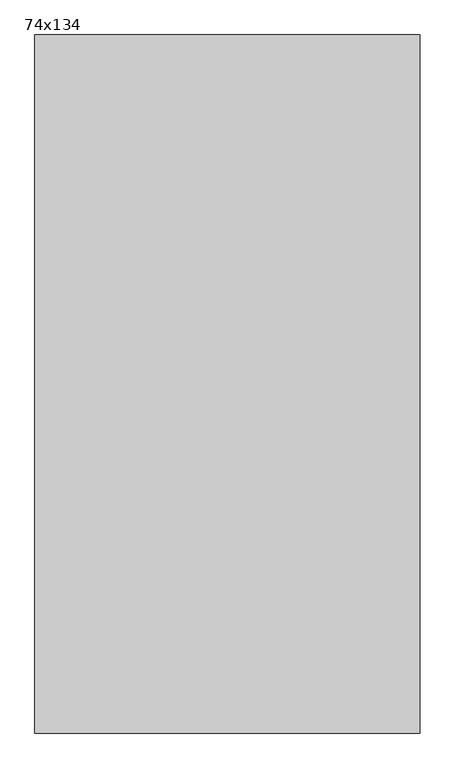
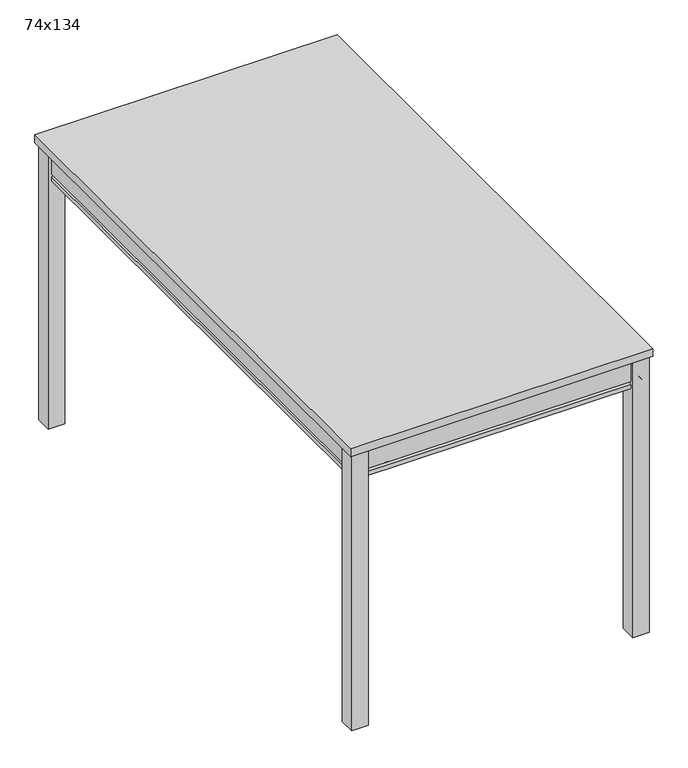
"""IFC4 building model written with IfcOpenShell, lengths in millimetres: furniture geometry, 74x134."""

from ifc_helpers import new_model, si_unit, frame, origin, origin_with_axes, place, context, project, spatial, polyline, ellipse_curve, outline, extrude, source, transform, mapped, element, save
from ifc_brep_helpers import plane_surface, revolved_surface, advanced_brep


def furniture_74x134_e32a1062(model_context):
    return source(origin(), model_context, "Body", "SolidModel", [
        extrude(outline(polyline([(324.0, 664.0), (364.0, 664.0), (364.0, 624.0), (324.0, 624.0), (324.0, 664.0)])), origin_with_axes(), (0.0, 0.0, 1.0), 716.0),
        extrude(outline(polyline([(324.0, -624.0), (364.0, -624.0), (364.0, -664.0), (324.0, -664.0), (324.0, -624.0)])), origin_with_axes(), (0.0, 0.0, 1.0), 716.0),
        extrude(outline(polyline([(-324.0, 664.0), (-324.0, 624.0), (-364.0, 624.0), (-364.0, 664.0), (-324.0, 664.0)])), origin_with_axes(), (0.0, 0.0, 1.0), 716.0),
        extrude(outline(polyline([(-324.0, -624.0), (-324.0, -664.0), (-364.0, -664.0), (-364.0, -624.0), (-324.0, -624.0)])), origin_with_axes(), (0.0, 0.0, 1.0), 716.0),
        advanced_brep(
        [(-356.0, -656.0, 716.0), (-356.0, -656.0, 659.0), (356.0, -656.0, 659.0), (356.0, -656.0, 716.0), (-341.0, -641.0, 641.0), (-341.0, -641.0, 716.0), (341.0, -641.0, 716.0), (341.0, -641.0, 641.0), (-356.0, -656.0, 651.0), (-356.0, -656.0, 641.0), (356.0, -656.0, 641.0), (356.0, -656.0, 651.0), (356.0, 656.0, 659.0), (356.0, 656.0, 716.0), (341.0, 641.0, 716.0), (341.0, 641.0, 641.0), (356.0, 656.0, 641.0), (356.0, 656.0, 651.0), (-356.0, 656.0, 659.0), (-356.0, 656.0, 716.0), (-341.0, 641.0, 716.0), (-341.0, 641.0, 641.0), (-356.0, 656.0, 641.0), (-356.0, 656.0, 651.0)],
        [
            (0, 1),
            (1, 2),
            (2, 3),
            (3, 0),
            (4, 5),
            (5, 6),
            (6, 7),
            (7, 4),
            (8, 9),
            (9, 10),
            (10, 11),
            (11, 8),
            (1, 8, ellipse_curve(frame((-356.0, -656.0, 655.0), z_axis=(-0.7071067811865464, 0.7071067811865486, 0.0), x_axis=(0.7071067811865488, 0.7071067811865462, 0.0)), 5.6568542, 4.0)),
            (11, 2, ellipse_curve(frame((356.0, -656.0, 655.0), z_axis=(0.7071067811865486, 0.7071067811865464, 0.0), x_axis=(0.7071067811865466, -0.7071067811865483, 0.0)), 5.6568542, 4.0)),
            (2, 12),
            (12, 13),
            (13, 3),
            (6, 14),
            (14, 15),
            (15, 7),
            (10, 16),
            (16, 17),
            (17, 11),
            (17, 12, ellipse_curve(frame((356.0, 656.0, 655.0), z_axis=(-0.7071067811865464, 0.7071067811865486, 0.0), x_axis=(0.7071067811865483, 0.7071067811865466, 0.0)), 5.6568542, 4.0)),
            (12, 18),
            (18, 19),
            (19, 13),
            (14, 20),
            (20, 21),
            (21, 15),
            (16, 22),
            (22, 23),
            (23, 17),
            (23, 18, ellipse_curve(frame((-356.0, 656.0, 655.0), z_axis=(-0.7071067811865486, -0.7071067811865464, 0.0), x_axis=(-0.7071067811865466, 0.7071067811865483, 0.0)), 5.6568542, 4.0)),
            (18, 1),
            (0, 19),
            (5, 20),
            (4, 21),
            (9, 22),
            (8, 23),
        ],
        [
            plane_surface(frame((-356.0, -656.0, 659.0), z_axis=(0.0, -1.0, 0.0), x_axis=(1.0, 0.0, 0.0))),
            plane_surface(frame((-341.0, -641.0, 716.0), z_axis=(0.0, 1.0, 0.0), x_axis=(1.0, 0.0, 0.0))),
            plane_surface(frame((-356.0, -656.0, 641.0), z_axis=(0.0, -1.0, 0.0), x_axis=(1.0, 0.0, 0.0))),
            revolved_surface(polyline([(359.99999996500355, -652.0, 655.0), (-359.9999999650036, -652.0, 655.0)]), (-356.0, -656.0, 655.0), (1.0, 0.0, 0.0)),
            plane_surface(frame((356.0, -656.0, 659.0), z_axis=(1.0, 0.0, 0.0), x_axis=(0.0, 1.0, 0.0))),
            plane_surface(frame((341.0, -641.0, 716.0), z_axis=(-1.0, 0.0, 0.0), x_axis=(0.0, 1.0, 0.0))),
            plane_surface(frame((356.0, -656.0, 641.0), z_axis=(1.0, 0.0, 0.0), x_axis=(0.0, 1.0, 0.0))),
            revolved_surface(polyline([(352.0, 659.9999999650036, 655.0), (352.0, -659.9999999650036, 655.0)]), (356.0, -656.0, 655.0), (0.0, 1.0, 0.0)),
            plane_surface(frame((356.0, 656.0, 659.0), z_axis=(0.0, 1.0, 0.0), x_axis=(-1.0, 0.0, 0.0))),
            plane_surface(frame((341.0, 641.0, 716.0), z_axis=(0.0, -1.0, 0.0), x_axis=(-1.0, 0.0, 0.0))),
            plane_surface(frame((356.0, 656.0, 641.0), z_axis=(0.0, 1.0, 0.0), x_axis=(-1.0, 0.0, 0.0))),
            revolved_surface(polyline([(-359.99999996500355, 652.0, 655.0), (359.9999999650036, 652.0, 655.0)]), (356.0, 656.0, 655.0), (-1.0, 0.0, 0.0)),
            plane_surface(frame((-356.0, 656.0, 659.0), z_axis=(-1.0, 0.0, 0.0), x_axis=(0.0, -1.0, 0.0))),
            plane_surface(frame((-356.0, 656.0, 716.0), z_axis=(0.0, 0.0, 1.0), x_axis=(0.0, -1.0, 0.0))),
            plane_surface(frame((-341.0, 641.0, 716.0), z_axis=(1.0, 0.0, 0.0), x_axis=(0.0, -1.0, 0.0))),
            plane_surface(frame((-341.0, 641.0, 641.0), z_axis=(0.0, 0.0, -1.0), x_axis=(0.0, -1.0, 0.0))),
            plane_surface(frame((-356.0, 656.0, 641.0), z_axis=(-1.0, 0.0, 0.0), x_axis=(0.0, -1.0, 0.0))),
            revolved_surface(polyline([(-352.0, -659.9999999650036, 655.0), (-352.0, 659.9999999650036, 655.0)]), (-356.0, 656.0, 655.0), (0.0, -1.0, 0.0)),
        ],
        [
            (0, [[1, 2, 3, 4]]),
            (1, [[5, 6, 7, 8]]),
            (2, [[9, 10, 11, 12]]),
            (3, [[13, -12, 14, -2]]),
            (4, [[-3, 15, 16, 17]]),
            (5, [[-7, 18, 19, 20]]),
            (6, [[-11, 21, 22, 23]]),
            (7, [[-14, -23, 24, -15]]),
            (8, [[-16, 25, 26, 27]]),
            (9, [[-19, 28, 29, 30]]),
            (10, [[-22, 31, 32, 33]]),
            (11, [[-24, -33, 34, -25]]),
            (12, [[-26, 35, -1, 36]]),
            (13, [[-17, -27, -36, -4], [37, -28, -18, -6]]),
            (14, [[-29, -37, -5, 38]]),
            (15, [[39, -31, -21, -10], [-20, -30, -38, -8]]),
            (16, [[-32, -39, -9, 40]]),
            (17, [[-34, -40, -13, -35]]),
        ],
    ),
        extrude(outline(polyline([(370.0, 670.0), (370.0, -670.0), (-370.0, -670.0), (-370.0, 670.0), (370.0, 670.0)])), frame((0.0, 0.0, 716.0), z_axis=(0.0, 0.0, 1.0), x_axis=(1.0, 0.0, 0.0)), (0.0, 0.0, 1.0), 20.0),
    ])


if __name__ == "__main__":
    model = new_model("IFC4")
    model_context = context("Model", 3, world=origin())
    ifc_project = project(units=[si_unit("LENGTHUNIT", "METRE", prefix="MILLI")], contexts=[model_context])
    site = spatial("IfcSite", under=ifc_project)
    building = spatial("IfcBuilding", under=site)
    placement = place(None, origin())
    furniture_74x134_shape = furniture_74x134_e32a1062(model_context)
    element("IfcFurniture", 1, ObjectType="74x134", at=placement, inside=building, context=model_context, shape_type="MappedRepresentation", body=[
        mapped(furniture_74x134_shape, transform((0.0, 0.0, 0.0), x_axis=(1.0, 0.0, 0.0), y_axis=(0.0, 1.0, 0.0), z_axis=(0.0, 0.0, 1.0))),
    ])
    save(model, "model.ifc")
